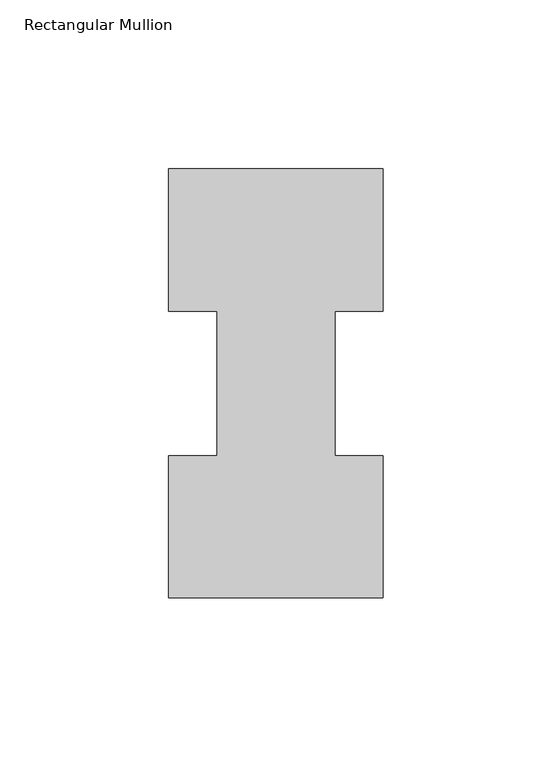
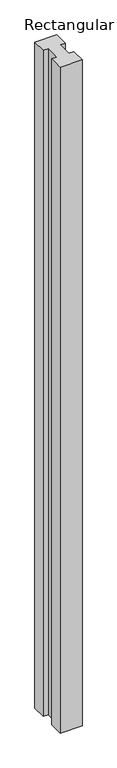
"""IFC4 building model written with IfcOpenShell, lengths in millimetres: member geometry, Rectangular Mullion."""

from ifc_helpers import new_model, si_unit, frame, origin, place, context, project, spatial, polyline, outline, extrude, source, transform, mapped, element, save


def rectangular_mullion_5d35d3c8(model_context):
    return source(origin(), model_context, "Body", "SweptSolid", [
        extrude(outline(polyline([(-31.75, 126.7086937), (31.75, 126.7086937), (31.75, 84.6335938), (17.4625, 84.6335938), (17.4625, 41.7837938), (31.75, 41.7837938), (31.75, -0.2913063), (-31.75, -0.2913063), (-31.75, 41.7837938), (-17.4625, 41.7837938), (-17.4625, 84.6335938), (-31.75, 84.6335938), (-31.75, 126.7086937)])), frame((0.0, 0.0, -2044.7176747), z_axis=(0.0, 0.0, 1.0), x_axis=(1.0, 0.0, 0.0)), (0.0, 0.0, 1.0), 2044.7176747),
    ])


if __name__ == "__main__":
    model = new_model("IFC4")
    model_context = context("Model", 3, world=origin())
    ifc_project = project(units=[si_unit("LENGTHUNIT", "METRE", prefix="MILLI")], contexts=[model_context])
    site = spatial("IfcSite", under=ifc_project)
    building = spatial("IfcBuilding", under=site)
    placement = place(None, origin())
    rectangular_mullion_shape = rectangular_mullion_5d35d3c8(model_context)
    element("IfcMember", 1, ObjectType="Rectangular Mullion", at=placement, inside=building, context=model_context, shape_type="MappedRepresentation", body=[
        mapped(rectangular_mullion_shape, transform((0.0, 0.0, 0.0), x_axis=(1.0, 0.0, 0.0), y_axis=(0.0, 1.0, 0.0), z_axis=(0.0, 0.0, 1.0))),
    ])
    save(model, "model.ifc")
